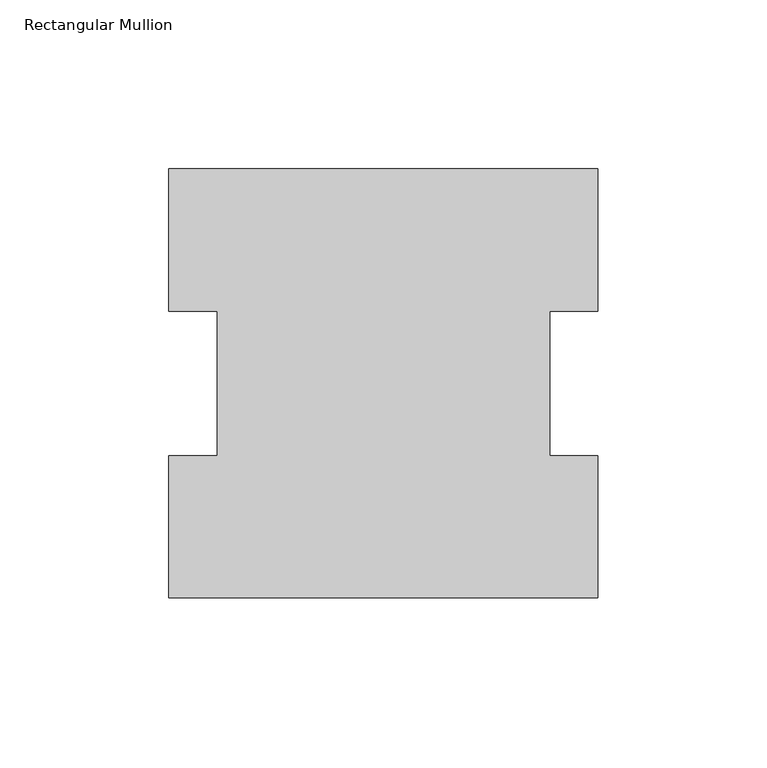
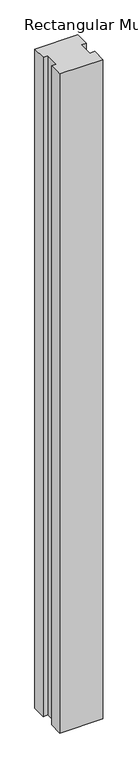
"""IFC4 building model written with IfcOpenShell, lengths in millimetres: member geometry, Rectangular Mullion."""

from ifc_helpers import new_model, si_unit, frame, origin, place, context, project, spatial, polyline, outline, extrude, source, transform, mapped, element, save


def rectangular_mullion_cb4cb99d(model_context):
    return source(origin(), model_context, "Body", "SweptSolid", [
        extrude(outline(polyline([(-63.5, 126.7086938), (63.5, 126.7086938), (63.5, 84.6335937), (49.2125, 84.6335937), (49.2125, 41.7837937), (63.5, 41.7837937), (63.5, -0.2913062), (-63.5, -0.2913062), (-63.5, 41.7837937), (-49.2125, 41.7837937), (-49.2125, 84.6335937), (-63.5, 84.6335937), (-63.5, 126.7086938)])), frame((0.0, 0.0, -2057.4), z_axis=(0.0, 0.0, 1.0), x_axis=(1.0, 0.0, 0.0)), (0.0, 0.0, 1.0), 2057.4),
    ])


if __name__ == "__main__":
    model = new_model("IFC4")
    model_context = context("Model", 3, world=origin())
    ifc_project = project(units=[si_unit("LENGTHUNIT", "METRE", prefix="MILLI")], contexts=[model_context])
    site = spatial("IfcSite", under=ifc_project)
    building = spatial("IfcBuilding", under=site)
    placement = place(None, origin())
    rectangular_mullion_shape = rectangular_mullion_cb4cb99d(model_context)
    element("IfcMember", 1, ObjectType="Rectangular Mullion", at=placement, inside=building, context=model_context, shape_type="MappedRepresentation", body=[
        mapped(rectangular_mullion_shape, transform((0.0, 0.0, 0.0), x_axis=(1.0, 0.0, 0.0), y_axis=(0.0, 1.0, 0.0), z_axis=(0.0, 0.0, 1.0))),
    ])
    save(model, "model.ifc")
